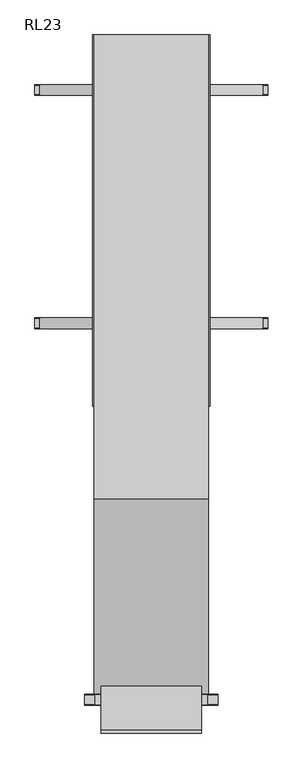
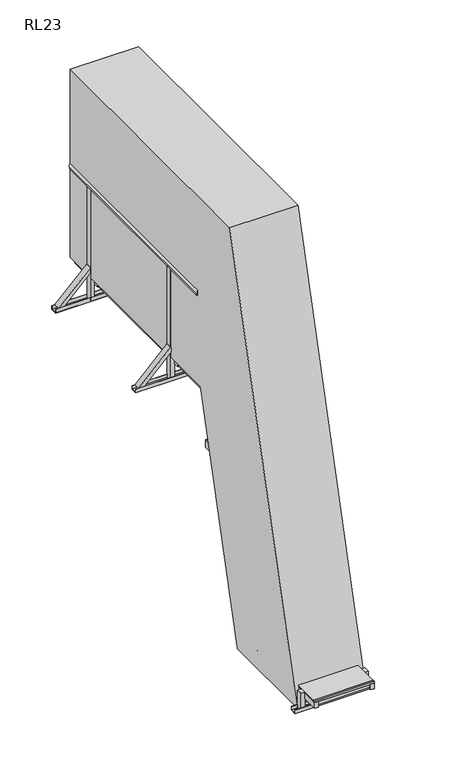
"""IFC4 building model written with IfcOpenShell, lengths in millimetres: proxy geometry, RL23."""

from ifc_helpers import new_model, si_unit, point, frame, frame_2d, origin, place, context, project, spatial, polyline, circle_curve, trimmed, segment, composite_curve, outline, extrude, faceted_brep, source, transform, mapped, element, save
from ifc_brep_helpers import plane_surface, cylinder_surface, advanced_brep


def rl23_d2b6ae69(model_context):
    return source(origin(), model_context, "Body", "SolidModel", [
        extrude(outline(composite_curve([segment(polyline([(-217.1779271, 2096.269982), (-212.7780033, 2112.6907211)]), True, "CONTINUOUS"), segment(trimmed(circle_curve(frame_2d((-194.4018539, 2094.33812)), 25.9711538), [point((-212.7780033, 2112.6907211))], [point((-169.3113411, 2101.043864))], False, "CARTESIAN"), True, "CONTINUOUS"), segment(polyline([(-169.3113411, 2101.043864), (-173.7112649, 2084.623125), (-217.1779271, 2096.269982)]), True, "CONTINUOUS")], self_intersect=False)), frame((-262.0, 0.0, 0.0), z_axis=(1.0, 0.0, 0.0), x_axis=(0.0, 1.0, 0.0)), (0.0, 0.0, 1.0), 524.0),
        extrude(outline(composite_curve([segment(polyline([(-292.3579518, 1815.6943103), (-287.958028, 1832.1150493)]), True, "CONTINUOUS"), segment(trimmed(circle_curve(frame_2d((-269.5818785, 1813.7624483)), 25.9711538), [point((-287.958028, 1832.1150493))], [point((-244.4913658, 1820.4681923))], False, "CARTESIAN"), True, "CONTINUOUS"), segment(polyline([(-244.4913658, 1820.4681923), (-248.8912896, 1804.0474533), (-292.3579518, 1815.6943103)]), True, "CONTINUOUS")], self_intersect=False)), frame((-262.0, 0.0, 0.0), z_axis=(1.0, 0.0, 0.0), x_axis=(0.0, 1.0, 0.0)), (0.0, 0.0, 1.0), 524.0),
        extrude(outline(composite_curve([segment(polyline([(-367.5379764, 1535.1186386), (-363.1380526, 1551.5393776)]), True, "CONTINUOUS"), segment(trimmed(circle_curve(frame_2d((-344.7619032, 1533.1867766)), 25.9711538), [point((-363.1380526, 1551.5393776))], [point((-319.6713905, 1539.8925206))], False, "CARTESIAN"), True, "CONTINUOUS"), segment(polyline([(-319.6713905, 1539.8925206), (-324.0713142, 1523.4717815), (-367.5379764, 1535.1186386)]), True, "CONTINUOUS")], self_intersect=False)), frame((-262.0, 0.0, 0.0), z_axis=(1.0, 0.0, 0.0), x_axis=(0.0, 1.0, 0.0)), (0.0, 0.0, 1.0), 524.0),
        extrude(outline(composite_curve([segment(polyline([(-442.7180011, 1254.5429669), (-438.3180773, 1270.9637059)]), True, "CONTINUOUS"), segment(trimmed(circle_curve(frame_2d((-419.9419278, 1252.6111049)), 25.9711538), [point((-438.3180773, 1270.9637059))], [point((-394.8514151, 1259.3168489))], False, "CARTESIAN"), True, "CONTINUOUS"), segment(polyline([(-394.8514151, 1259.3168489), (-399.2513389, 1242.8961098), (-442.7180011, 1254.5429669)]), True, "CONTINUOUS")], self_intersect=False)), frame((-262.0, 0.0, 0.0), z_axis=(1.0, 0.0, 0.0), x_axis=(0.0, 1.0, 0.0)), (0.0, 0.0, 1.0), 524.0),
        extrude(outline(composite_curve([segment(polyline([(-517.8980257, 973.9672951), (-513.4981019, 990.3880342)]), True, "CONTINUOUS"), segment(trimmed(circle_curve(frame_2d((-495.1219525, 972.0354332)), 25.9711538), [point((-513.4981019, 990.3880342))], [point((-470.0314398, 978.7411772))], False, "CARTESIAN"), True, "CONTINUOUS"), segment(polyline([(-470.0314398, 978.7411772), (-474.4313635, 962.3204381), (-517.8980257, 973.9672951)]), True, "CONTINUOUS")], self_intersect=False)), frame((-262.0, 0.0, 0.0), z_axis=(1.0, 0.0, 0.0), x_axis=(0.0, 1.0, 0.0)), (0.0, 0.0, 1.0), 524.0),
        extrude(outline(composite_curve([segment(polyline([(-593.0780504, 693.3916234), (-588.6781266, 709.8123625)]), True, "CONTINUOUS"), segment(trimmed(circle_curve(frame_2d((-570.3019772, 691.4597614)), 25.9711538), [point((-588.6781266, 709.8123625))], [point((-545.2114644, 698.1655054))], False, "CARTESIAN"), True, "CONTINUOUS"), segment(polyline([(-545.2114644, 698.1655054), (-549.6113882, 681.7447664), (-593.0780504, 693.3916234)]), True, "CONTINUOUS")], self_intersect=False)), frame((-262.0, 0.0, 0.0), z_axis=(1.0, 0.0, 0.0), x_axis=(0.0, 1.0, 0.0)), (0.0, 0.0, 1.0), 524.0),
        extrude(outline(composite_curve([segment(polyline([(-668.258075, 412.8159517), (-663.8581512, 429.2366907)]), True, "CONTINUOUS"), segment(trimmed(circle_curve(frame_2d((-645.4820018, 410.8840897)), 25.9711538), [point((-663.8581512, 429.2366907))], [point((-620.3914891, 417.5898337))], False, "CARTESIAN"), True, "CONTINUOUS"), segment(polyline([(-620.3914891, 417.5898337), (-624.7914128, 401.1690947), (-668.258075, 412.8159517)]), True, "CONTINUOUS")], self_intersect=False)), frame((-262.0, 0.0, 0.0), z_axis=(1.0, 0.0, 0.0), x_axis=(0.0, 1.0, 0.0)), (0.0, 0.0, 1.0), 524.0),
        extrude(outline(composite_curve([segment(polyline([(-141.9979024, 2376.8456537), (-137.5979787, 2393.2663928)]), True, "CONTINUOUS"), segment(trimmed(circle_curve(frame_2d((-119.2218292, 2374.9137918)), 25.9711538), [point((-137.5979787, 2393.2663928))], [point((-94.1313165, 2381.6195357))], False, "CARTESIAN"), True, "CONTINUOUS"), segment(polyline([(-94.1313165, 2381.6195357), (-98.5312403, 2365.1987967), (-141.9979024, 2376.8456537)]), True, "CONTINUOUS")], self_intersect=False)), frame((-262.0, 0.0, 0.0), z_axis=(1.0, 0.0, 0.0), x_axis=(0.0, 1.0, 0.0)), (0.0, 0.0, 1.0), 524.0),
        extrude(outline(composite_curve([segment(polyline([(-743.4380997, 132.24028), (-739.0381759, 148.661019)]), True, "CONTINUOUS"), segment(trimmed(circle_curve(frame_2d((-720.6620265, 130.308418)), 25.9711538), [point((-739.0381759, 148.661019))], [point((-695.5715137, 137.014162))], False, "CARTESIAN"), True, "CONTINUOUS"), segment(polyline([(-695.5715137, 137.014162), (-699.9714375, 120.5934229), (-743.4380997, 132.24028)]), True, "CONTINUOUS")], self_intersect=False)), frame((-262.0, 0.0, 0.0), z_axis=(1.0, 0.0, 0.0), x_axis=(0.0, 1.0, 0.0)), (0.0, 0.0, 1.0), 524.0),
        extrude(outline(polyline([(-38.0, 0.0), (0.0, 0.0), (0.0, -58.0000001), (-38.0, -58.0000001), (-38.0, 0.0)])), frame((262.0, -780.774903, 18.0115046), z_axis=(0.0, 0.25881904510250875, 0.9659258262890715), x_axis=(-1.0, 0.0, 0.0)), (0.0, 0.0, 1.0), 3523.7864779),
        extrude(outline(polyline([(-38.0, 0.0), (0.0, 0.0), (0.0, -58.0000001), (-38.0, -58.0000001), (-38.0, 0.0)])), frame((-300.0, -780.774903, 18.0115046), z_axis=(0.0, 0.25881904510250875, 0.9659258262890715), x_axis=(-1.0, 0.0, 0.0)), (0.0, 0.0, 1.0), 3523.7864779),
        faceted_brep([(-303.5, -975.5780618, 0.0), (-250.5, -975.5780618, 0.0), (-250.5, -975.5780618, 3.0), (-300.5, -975.5780618, 3.0), (-303.5, -975.5780618, 3.0), (-300.5, -615.5780618, 3.0), (-250.5, -615.5780618, 3.0), (-250.5, -615.5780618, 0.0), (-303.5, -615.5780618, 0.0), (-303.5, -615.5780618, 3.0), (-300.5, -928.5780618, 50.0), (-300.5, -662.5780618, 50.0), (-303.5, -662.5780618, 50.0), (-303.5, -928.5780618, 50.0)], [[[0, 1, 2, 3, 4]], [[5, 6, 7, 8, 9]], [[10, 11, 12, 13]], [[8, 0, 4, 13, 12, 9]], [[1, 0, 8, 7]], [[2, 1, 7, 6]], [[3, 2, 6, 5]], [[3, 5, 11, 10]], [[5, 9, 12, 11]], [[4, 3, 10, 13]]]),
        faceted_brep([(300.5, -975.5780618, 3.0), (250.5, -975.5780618, 3.0), (250.5, -975.5780618, 0.0), (303.5, -975.5780618, 0.0), (303.5, -975.5780618, 3.0), (303.5, -615.5780618, 0.0), (250.5, -615.5780618, 0.0), (250.5, -615.5780618, 3.0), (300.5, -615.5780618, 3.0), (303.5, -615.5780618, 3.0), (303.5, -662.5780618, 50.0), (303.5, -928.5780618, 50.0), (300.5, -662.5780618, 50.0), (300.5, -928.5780618, 50.0)], [[[0, 1, 2, 3, 4]], [[5, 6, 7, 8, 9]], [[1, 0, 8, 7]], [[2, 1, 7, 6]], [[3, 2, 6, 5]], [[3, 5, 9, 10, 11, 4]], [[11, 10, 12, 13]], [[8, 0, 13, 12]], [[9, 8, 12, 10]], [[0, 4, 11, 13]]]),
        extrude(outline(polyline([(-250.0, -702.5715258), (-250.0, -684.5715258), (250.0, -684.5715258), (250.0, -702.5715258), (-250.0, -702.5715258)])), frame((0.0, 0.0, 181.5), z_axis=(0.0, 0.0, 1.0), x_axis=(1.0, 0.0, 0.0)), (0.0, 0.0, 1.0), 18.5),
        extrude(outline(polyline([(-300.5, -888.8215258), (-300.5, -870.3215258), (300.5, -870.3215258), (300.5, -888.8215258), (-300.5, -888.8215258)])), frame((0.0, 0.0, 181.5), z_axis=(0.0, 0.0, 1.0), x_axis=(1.0, 0.0, 0.0)), (0.0, 0.0, 1.0), 18.5),
        extrude(outline(polyline([(-250.0, -870.3215258), (-250.0, -702.5715258), (250.0, -702.5715258), (250.0, -870.3215258), (-250.0, -870.3215258)])), frame((0.0, 0.0, 181.5), z_axis=(0.0, 0.0, 1.0), x_axis=(1.0, 0.0, 0.0)), (0.0, 0.0, 1.0), 18.5),
        extrude(outline(polyline([(262.5, -757.7216554), (300.5, -757.7216554), (300.5, -1789.5715258), (262.5, -1789.5715258), (262.5, -757.7216554)])), frame((0.0, 0.0, 123.5), z_axis=(0.0, 0.0, 1.0), x_axis=(1.0, 0.0, 0.0)), (0.0, 0.0, 1.0), 58.0),
        extrude(outline(polyline([(-300.5, -757.7216554), (-262.5, -757.7216554), (-262.5, -1789.5715258), (-300.5, -1789.5715258), (-300.5, -757.7216554)])), frame((0.0, 0.0, 123.5), z_axis=(0.0, 0.0, 1.0), x_axis=(1.0, 0.0, 0.0)), (0.0, 0.0, 1.0), 58.0),
        extrude(outline(polyline([(-338.5, -1618.5715258), (-338.5, -1560.5715258), (-300.5, -1560.5715258), (-300.5, -1618.5715258), (-338.5, -1618.5715258)])), frame((0.0, 0.0, 3.0), z_axis=(0.0, 0.0, 1.0), x_axis=(1.0, 0.0, 0.0)), (0.0, 0.0, 1.0), 190.0),
        extrude(outline(polyline([(300.5, -1618.5715258), (300.5, -1560.5715258), (338.5, -1560.5715258), (338.5, -1618.5715258), (300.5, -1618.5715258)])), frame((0.0, 0.0, 3.0), z_axis=(0.0, 0.0, 1.0), x_axis=(1.0, 0.0, 0.0)), (0.0, 0.0, 1.0), 190.0),
        extrude(outline(polyline([(-300.5, -1789.5715258), (-300.5, -1771.0715258), (300.5, -1771.0715258), (300.5, -1789.5715258), (-300.5, -1789.5715258)])), frame((0.0, 0.0, 181.5), z_axis=(0.0, 0.0, 1.0), x_axis=(1.0, 0.0, 0.0)), (0.0, 0.0, 1.0), 18.5),
        extrude(outline(polyline([(-1619.0715258, 38.0), (-1619.0715258, 3.0), (-1560.0715258, 3.0), (-1560.0715258, 38.0), (-1557.0715258, 38.0), (-1557.0715258, 0.0), (-1622.0715258, 0.0), (-1622.0715258, 38.0), (-1619.0715258, 38.0)])), frame((-400.5, 0.0, 0.0), z_axis=(1.0, 0.0, 0.0), x_axis=(0.0, 1.0, 0.0)), (0.0, 0.0, 1.0), 801.0),
        extrude(outline(polyline([(-300.5, -1770.5715258), (-300.5, -888.8215258), (300.5, -888.8215258), (300.5, -1770.5715258), (-300.5, -1770.5715258)])), frame((0.0, 0.0, 181.5), z_axis=(0.0, 0.0, 1.0), x_axis=(1.0, 0.0, 0.0)), (0.0, 0.0, 1.0), 18.5),
        extrude(outline(composite_curve([segment(polyline([(-792.7752452, 133.5), (-792.7752452, 171.5)]), True, "CONTINUOUS"), segment(trimmed(circle_curve(frame_2d((-786.7752452, 171.5)), 6.0), [point((-792.7752452, 171.5))], [point((-786.7752452, 177.5))], False, "CARTESIAN"), True, "CONTINUOUS"), segment(polyline([(-786.7752452, 177.5), (-737.7216554, 177.5)]), True, "CONTINUOUS"), segment(trimmed(circle_curve(frame_2d((-737.7216554, 152.5)), 25.0), [point((-737.7216554, 177.5))], [point((-737.7216554, 127.5))], False, "CARTESIAN"), True, "CONTINUOUS"), segment(polyline([(-737.7216554, 127.5), (-786.7752452, 127.5)]), True, "CONTINUOUS"), segment(trimmed(circle_curve(frame_2d((-786.7752452, 133.5)), 6.0), [point((-786.7752452, 127.5))], [point((-792.7752452, 133.5))], False, "CARTESIAN"), True, "CONTINUOUS")], self_intersect=False)), frame((300.5, 0.0, 0.0), z_axis=(1.0, 0.0, 0.0), x_axis=(0.0, 1.0, 0.0)), (0.0, 0.0, 1.0), 6.0),
        extrude(outline(composite_curve([segment(polyline([(-792.7752452, 133.5), (-792.7752452, 171.5)]), True, "CONTINUOUS"), segment(trimmed(circle_curve(frame_2d((-786.7752452, 171.5)), 6.0), [point((-792.7752452, 171.5))], [point((-786.7752452, 177.5))], False, "CARTESIAN"), True, "CONTINUOUS"), segment(polyline([(-786.7752452, 177.5), (-737.7216554, 177.5)]), True, "CONTINUOUS"), segment(trimmed(circle_curve(frame_2d((-737.7216554, 152.5)), 25.0), [point((-737.7216554, 177.5))], [point((-737.7216554, 127.5))], False, "CARTESIAN"), True, "CONTINUOUS"), segment(polyline([(-737.7216554, 127.5), (-786.7752452, 127.5)]), True, "CONTINUOUS"), segment(trimmed(circle_curve(frame_2d((-786.7752452, 133.5)), 6.0), [point((-786.7752452, 127.5))], [point((-792.7752452, 133.5))], False, "CARTESIAN"), True, "CONTINUOUS")], self_intersect=False)), frame((-306.5, 0.0, 0.0), z_axis=(1.0, 0.0, 0.0), x_axis=(0.0, 1.0, 0.0)), (0.0, 0.0, 1.0), 6.0),
        extrude(outline(polyline([(-262.5, -932.5715258), (-262.5, -874.5715258), (262.5, -874.5715258), (262.5, -932.5715258), (-262.5, -932.5715258)])), frame((0.0, 0.0, 143.5), z_axis=(0.0, 0.0, 1.0), x_axis=(1.0, 0.0, 0.0)), (0.0, 0.0, 1.0), 38.0),
        extrude(outline(polyline([(-262.5, -1356.5715258), (-262.5, -1298.5715258), (262.5, -1298.5715258), (262.5, -1356.5715258), (-262.5, -1356.5715258)])), frame((0.0, 0.0, 143.5), z_axis=(0.0, 0.0, 1.0), x_axis=(1.0, 0.0, 0.0)), (0.0, 0.0, 1.0), 38.0),
        extrude(outline(polyline([(-262.5, -1779.5715258), (-262.5, -1721.5715258), (262.5, -1721.5715258), (262.5, -1779.5715258), (-262.5, -1779.5715258)])), frame((0.0, 0.0, 143.5), z_axis=(0.0, 0.0, 1.0), x_axis=(1.0, 0.0, 0.0)), (0.0, 0.0, 1.0), 38.0),
        advanced_brep(
        [(309.5, 2400.0, 2886.25), (309.5, 2400.0, 2859.75), (309.5, 41.3809842, 2886.25), (309.5, 41.3809842, 2859.75), (294.5187617, 41.3809842, 2893.0)],
        [
            (0, 1),
            (1, 0, circle_curve(frame((294.5187617, 2400.0, 2873.0), z_axis=(0.0, 1.0, 0.0), x_axis=(-1.0, 0.0, 0.0)), 20.0)),
            (0, 2),
            (2, 3),
            (3, 1),
            (3, 4, circle_curve(frame((294.5187617, 41.3809842, 2873.0), z_axis=(0.0, 1.0, 0.0), x_axis=(-1.0, 0.0, 0.0)), 20.0)),
            (4, 2, circle_curve(frame((294.5187617, 41.3809842, 2873.0), z_axis=(0.0, 1.0, 0.0), x_axis=(-1.0, 0.0, 0.0)), 20.0)),
        ],
        [
            plane_surface(frame((274.5187617, 2400.0, 2873.0), z_axis=(0.0, 1.0, 0.0), x_axis=(0.0, 0.0, 1.0))),
            plane_surface(frame((309.5, 0.0, 2859.75), z_axis=(1.0, 0.0, 0.0), x_axis=(0.0, 1.0, 0.0))),
            cylinder_surface(frame((294.5187617, 2400.0, 2873.0), z_axis=(0.0, -1.0, 0.0), x_axis=(-1.0, 0.0, 0.0)), 20.0),
            plane_surface(frame((372.2487373, 41.3809842, 2400.0), z_axis=(0.0, -1.0, 0.0), x_axis=(-1.0, 0.0, 0.0))),
        ],
        [
            (0, [[1, 2]]),
            (1, [[-1, 3, 4, 5]]),
            (2, [[-2, -5, 6, 7, -3]]),
            (3, [[-4, -7, -6]]),
        ],
    ),
        advanced_brep(
        [(-309.5, 2400.0, 2886.25), (-309.5, 2400.0, 2859.75), (-309.5, 41.3809842, 2859.75), (-309.5, 41.3809842, 2886.25), (-294.5187617, 41.3809842, 2893.0)],
        [
            (0, 1, circle_curve(frame((-294.5187617, 2400.0, 2873.0), z_axis=(0.0, 1.0, 0.0), x_axis=(1.0, 0.0, 0.0)), 20.0)),
            (1, 0),
            (1, 2),
            (2, 3),
            (3, 0),
            (3, 4, circle_curve(frame((-294.5187617, 41.3809842, 2873.0), z_axis=(0.0, 1.0, 0.0), x_axis=(1.0, 0.0, 0.0)), 20.0)),
            (4, 2, circle_curve(frame((-294.5187617, 41.3809842, 2873.0), z_axis=(0.0, 1.0, 0.0), x_axis=(1.0, 0.0, 0.0)), 20.0)),
        ],
        [
            plane_surface(frame((-309.5, 2400.0, 2859.75), z_axis=(0.0, 1.0, 0.0), x_axis=(0.0, 0.0, 1.0))),
            plane_surface(frame((-309.5, 0.0, 2886.25), z_axis=(-1.0, 0.0, 0.0), x_axis=(0.0, 1.0, 0.0))),
            cylinder_surface(frame((-294.5187617, 2400.0, 2873.0), z_axis=(0.0, -1.0, 0.0), x_axis=(1.0, 0.0, 0.0)), 20.0),
            plane_surface(frame((372.2487373, 41.3809842, 2400.0), z_axis=(0.0, -1.0, 0.0), x_axis=(-1.0, 0.0, 0.0))),
        ],
        [
            (0, [[1, 2]]),
            (1, [[-2, 3, 4, 5]]),
            (2, [[-1, -5, 6, 7, -3]]),
            (3, [[-4, -7, -6]]),
        ],
    ),
        advanced_brep(
        [(349.5, 2400.0, 3361.43534), (349.5, 2400.0, 3343.0), (307.5, 2400.0, 3343.0), (307.5, 2400.0, 3361.43534), (349.5, 172.6760885, 3361.43534), (349.5, 172.6760885, 3343.0), (307.5, 172.6760885, 3343.0), (307.5, 172.6760885, 3361.43534), (328.5, 172.6760885, 3400.0)],
        [
            (0, 1),
            (1, 2),
            (2, 3),
            (3, 0, circle_curve(frame((328.5, 2400.0, 3375.0), z_axis=(0.0, 1.0, 0.0), x_axis=(-1.0, 0.0, 0.0)), 25.0)),
            (0, 4),
            (4, 5),
            (5, 1),
            (5, 6),
            (6, 2),
            (6, 7),
            (7, 3),
            (7, 8, circle_curve(frame((328.5, 172.6760885, 3375.0), z_axis=(0.0, 1.0, 0.0), x_axis=(-1.0, 0.0, 0.0)), 25.0)),
            (8, 4, circle_curve(frame((328.5, 172.6760885, 3375.0), z_axis=(0.0, 1.0, 0.0), x_axis=(-1.0, 0.0, 0.0)), 25.0)),
        ],
        [
            plane_surface(frame((303.5, 2400.0, 3375.0), z_axis=(0.0, 1.0, 0.0), x_axis=(0.0, 0.0, 1.0))),
            plane_surface(frame((349.5, 0.0, 3343.0), z_axis=(1.0, 0.0, 0.0), x_axis=(0.0, 1.0, 0.0))),
            plane_surface(frame((307.5, 0.0, 3343.0), z_axis=(0.0, 0.0, -1.0), x_axis=(0.0, 1.0, 0.0))),
            plane_surface(frame((307.5, 0.0, 3361.43534), z_axis=(-1.0, 0.0, 0.0), x_axis=(0.0, 1.0, 0.0))),
            cylinder_surface(frame((328.5, 2400.0, 3375.0), z_axis=(0.0, -1.0, 0.0), x_axis=(-1.0, 0.0, 0.0)), 25.0),
            plane_surface(frame((372.2487373, 172.6760885, 3343.0), z_axis=(0.0, -1.0, 0.0), x_axis=(-1.0, 0.0, 0.0))),
        ],
        [
            (0, [[1, 2, 3, 4]]),
            (1, [[-1, 5, 6, 7]]),
            (2, [[-2, -7, 8, 9]]),
            (3, [[-3, -9, 10, 11]]),
            (4, [[-4, -11, 12, 13, -5]]),
            (5, [[-6, -13, -12, -10, -8]]),
        ],
    ),
        advanced_brep(
        [(-349.5, 2400.0, 3361.43534), (-307.5, 2400.0, 3361.43534), (-307.5, 2400.0, 3343.0), (-349.5, 2400.0, 3343.0), (-349.5, 172.6760885, 3343.0), (-349.5, 172.6760885, 3361.43534), (-307.5, 172.6760885, 3343.0), (-307.5, 172.6760885, 3361.43534), (-328.5, 172.6760885, 3400.0)],
        [
            (0, 1, circle_curve(frame((-328.5, 2400.0, 3375.0), z_axis=(0.0, 1.0, 0.0), x_axis=(1.0, 0.0, 0.0)), 25.0)),
            (1, 2),
            (2, 3),
            (3, 0),
            (3, 4),
            (4, 5),
            (5, 0),
            (2, 6),
            (6, 4),
            (1, 7),
            (7, 6),
            (5, 8, circle_curve(frame((-328.5, 172.6760885, 3375.0), z_axis=(0.0, 1.0, 0.0), x_axis=(1.0, 0.0, 0.0)), 25.0)),
            (8, 7, circle_curve(frame((-328.5, 172.6760885, 3375.0), z_axis=(0.0, 1.0, 0.0), x_axis=(1.0, 0.0, 0.0)), 25.0)),
        ],
        [
            plane_surface(frame((-349.5, 2400.0, 3343.0), z_axis=(0.0, 1.0, 0.0), x_axis=(0.0, 0.0, 1.0))),
            plane_surface(frame((-349.5, 0.0, 3361.43534), z_axis=(-1.0, 0.0, 0.0), x_axis=(0.0, 1.0, 0.0))),
            plane_surface(frame((-349.5, 0.0, 3343.0), z_axis=(0.0, 0.0, -1.0), x_axis=(0.0, 1.0, 0.0))),
            plane_surface(frame((-307.5, 0.0, 3343.0), z_axis=(1.0, 0.0, 0.0), x_axis=(0.0, 1.0, 0.0))),
            cylinder_surface(frame((-328.5, 2400.0, 3375.0), z_axis=(0.0, -1.0, 0.0), x_axis=(1.0, 0.0, 0.0)), 25.0),
            plane_surface(frame((372.2487373, 172.6760885, 3343.0), z_axis=(0.0, -1.0, 0.0), x_axis=(-1.0, 0.0, 0.0))),
        ],
        [
            (0, [[1, 2, 3, 4]]),
            (1, [[-4, 5, 6, 7]]),
            (2, [[-3, 8, 9, -5]]),
            (3, [[-2, 10, 11, -8]]),
            (4, [[-1, -7, 12, 13, -10]]),
            (5, [[-6, -9, -11, -13, -12]]),
        ],
    ),
        extrude(outline(polyline([(300.0, 2400.0), (300.0, -80.0), (-300.0, -80.0), (-300.0, 2400.0), (300.0, 2400.0)]), holes=[polyline([(262.0, 2362.0), (-262.0, 2362.0), (-262.0, -42.0), (262.0, -42.0), (262.0, 2362.0)])]), frame((0.0, 0.0, 2324.2375855), z_axis=(0.0, 0.0, 1.0), x_axis=(1.0, 0.0, 0.0)), (0.0, 0.0, 1.0), 57.2624145),
        extrude(outline(polyline([(699.5, 2188.0), (702.5, 2188.0), (702.5, 2150.0), (637.5, 2150.0), (637.5, 2188.0), (640.5, 2188.0), (640.5, 2153.0), (699.5, 2153.0), (699.5, 2188.0)])), frame((-700.0, 0.0, 0.0), z_axis=(1.0, 0.0, 0.0), x_axis=(0.0, 1.0, 0.0)), (0.0, 0.0, 1.0), 1400.0),
        extrude(outline(polyline([(2102.5, 2188.0), (2102.5, 2150.0), (2037.5, 2150.0), (2037.5, 2188.0), (2040.5, 2188.0), (2040.5, 2153.0), (2099.5, 2153.0), (2099.5, 2188.0), (2102.5, 2188.0)])), frame((-700.0, 0.0, 0.0), z_axis=(1.0, 0.0, 0.0), x_axis=(0.0, 1.0, 0.0)), (0.0, 0.0, 1.0), 1400.0),
        extrude(outline(polyline([(-29.0, -38.0), (-32.0, -38.0), (-32.0, 0.0), (32.0, 0.0), (32.0, -38.0), (29.0, -38.0), (29.0, -2.9999999), (-29.0, -2.9999999), (-29.0, -38.0)])), frame((670.0, 670.0, 2188.0), z_axis=(-0.7071067811865459, 0.0, 0.7071067811865492), x_axis=(0.0, -1.0, 0.0)), (0.0, 0.0, 1.0), 456.0838739),
        extrude(outline(polyline([(-29.0, 38.0), (-29.0, 2.9999999), (29.0, 2.9999999), (29.0, 38.0), (32.0, 38.0), (32.0, 0.0), (-32.0, 0.0), (-32.0, 38.0), (-29.0, 38.0)])), frame((-670.0, 670.0, 2188.0), z_axis=(0.7071067811865526, 0.0, 0.7071067811865425), x_axis=(0.0, -1.0, 0.0)), (0.0, 0.0, 1.0), 456.0838739),
        extrude(outline(polyline([(-29.0, -38.0), (-32.0, -38.0), (-32.0, 0.0), (32.0, 0.0), (32.0, -38.0), (29.0, -38.0), (29.0, -2.9999999), (-29.0, -2.9999999), (-29.0, -38.0)])), frame((670.0, 2070.0, 2188.0), z_axis=(-0.7071067811865461, 0.0, 0.7071067811865491), x_axis=(0.0, -1.0, 0.0)), (0.0, 0.0, 1.0), 456.0838739),
        extrude(outline(polyline([(-29.0, 38.0), (-29.0, 2.9999999), (29.0, 2.9999999), (29.0, 38.0), (32.0, 38.0), (32.0, 0.0), (-32.0, 0.0), (-32.0, 38.0), (-29.0, 38.0)])), frame((-670.0, 2070.0, 2188.0), z_axis=(0.7071067811865526, 0.0, 0.7071067811865425), x_axis=(0.0, -1.0, 0.0)), (0.0, 0.0, 1.0), 456.0838739),
        extrude(outline(polyline([(347.5, 699.0), (347.5, 641.0), (309.5, 641.0), (309.5, 699.0), (347.5, 699.0)])), frame((0.0, 0.0, 2153.0), z_axis=(0.0, 0.0, 1.0), x_axis=(1.0, 0.0, 0.0)), (0.0, 0.0, 1.0), 1190.0),
        extrude(outline(polyline([(347.5, 2099.0), (347.5, 2041.0), (309.5, 2041.0), (309.5, 2099.0), (347.5, 2099.0)])), frame((0.0, 0.0, 2153.0), z_axis=(0.0, 0.0, 1.0), x_axis=(1.0, 0.0, 0.0)), (0.0, 0.0, 1.0), 1190.0),
        extrude(outline(polyline([(-309.5, 2099.0), (-309.5, 2041.0), (-347.5, 2041.0), (-347.5, 2099.0), (-309.5, 2099.0)])), frame((0.0, 0.0, 2153.0), z_axis=(0.0, 0.0, 1.0), x_axis=(1.0, 0.0, 0.0)), (0.0, 0.0, 1.0), 1190.0),
        extrude(outline(polyline([(-309.5, 699.0), (-309.5, 641.0), (-347.5, 641.0), (-347.5, 699.0), (-309.5, 699.0)])), frame((0.0, 0.0, 2153.0), z_axis=(0.0, 0.0, 1.0), x_axis=(1.0, 0.0, 0.0)), (0.0, 0.0, 1.0), 1190.0),
        extrude(outline(polyline([(300.0, 2400.0), (300.0, -80.0), (-300.0, -80.0), (-300.0, 2400.0), (300.0, 2400.0)])), frame((0.0, 0.0, 2381.5), z_axis=(0.0, 0.0, 1.0), x_axis=(1.0, 0.0, 0.0)), (0.0, 0.0, 1.0), 18.5),
        extrude(outline(polyline([(0.0, -75.0156698), (0.0, 0.0), (6.0, 0.0), (6.0, -75.0156698), (0.0, -75.0156698)])), frame((300.0, -18.0012303, 2324.2375855), z_axis=(0.0, -0.2282093973208809, 0.9736120741724809), x_axis=(1.0, 0.0, 0.0)), (0.0, 0.0, 1.0), 56.5477611),
        extrude(outline(polyline([(0.0, -75.0156698), (0.0, 0.0), (6.0, 0.0), (6.0, -75.0156698), (0.0, -75.0156698)])), frame((-300.0, -91.0373922, 2307.1183047), z_axis=(0.0, -0.22820939732088133, 0.9736120741724807), x_axis=(-1.0, 0.0, 0.0)), (0.0, 0.0, 1.0), 56.5477611),
        extrude(outline(polyline([(300.0, 1990.0), (300.0, 2150.0), (309.5, 2150.0), (309.5, 1990.0), (300.0, 1990.0)])), frame((0.0, 0.0, 2320.0), z_axis=(0.0, 0.0, 1.0), x_axis=(1.0, 0.0, 0.0)), (0.0, 0.0, 1.0), 80.0),
        extrude(outline(polyline([(300.0, 590.0), (300.0, 750.0), (309.5, 750.0), (309.5, 590.0), (300.0, 590.0)])), frame((0.0, 0.0, 2320.0), z_axis=(0.0, 0.0, 1.0), x_axis=(1.0, 0.0, 0.0)), (0.0, 0.0, 1.0), 80.0),
        extrude(outline(polyline([(-300.0, 2150.0), (-300.0, 1990.0), (-309.5, 1990.0), (-309.5, 2150.0), (-300.0, 2150.0)])), frame((0.0, 0.0, 2320.0), z_axis=(0.0, 0.0, 1.0), x_axis=(1.0, 0.0, 0.0)), (0.0, 0.0, 1.0), 80.0),
        extrude(outline(polyline([(-300.0, 750.0), (-300.0, 590.0), (-309.5, 590.0), (-309.5, 750.0), (-300.0, 750.0)])), frame((0.0, 0.0, 2320.0), z_axis=(0.0, 0.0, 1.0), x_axis=(1.0, 0.0, 0.0)), (0.0, 0.0, 1.0), 80.0),
        extrude(outline(polyline([(262.0, 1831.0), (262.0, 1793.0), (-262.0, 1793.0), (-262.0, 1831.0), (262.0, 1831.0)])), frame((0.0, 0.0, 2323.5), z_axis=(0.0, 0.0, 1.0), x_axis=(1.0, 0.0, 0.0)), (0.0, 0.0, 1.0), 58.0),
        extrude(outline(polyline([(262.0, 1240.5), (262.0, 1202.5), (-262.0, 1202.5), (-262.0, 1240.5), (262.0, 1240.5)])), frame((0.0, 0.0, 2323.5), z_axis=(0.0, 0.0, 1.0), x_axis=(1.0, 0.0, 0.0)), (0.0, 0.0, 1.0), 58.0),
        extrude(outline(polyline([(262.0, 650.0), (262.0, 612.0), (-262.0, 612.0), (-262.0, 650.0), (262.0, 650.0)])), frame((0.0, 0.0, 2323.5), z_axis=(0.0, 0.0, 1.0), x_axis=(1.0, 0.0, 0.0)), (0.0, 0.0, 1.0), 58.0),
        extrude(outline(polyline([(-518.0228258, 0.0), (-1561.5812156, 0.0), (-382.6047689, 4400.0), (2400.0, 4400.0), (2400.0, 2400.0), (125.0552361, 2400.0), (-518.0228258, 0.0)])), frame((-343.5, 0.0, 0.0), z_axis=(1.0, 0.0, 0.0), x_axis=(0.0, 1.0, 0.0)), (0.0, 0.0, 1.0), 687.0),
        extrude(outline(polyline([(306.5, 100.0), (306.5, -272.7695155), (300.5, -272.7695155), (300.5, 95.0), (-300.5, 95.0), (-300.5, -272.7695155), (-306.5, -272.7695155), (-306.5, 100.0), (306.5, 100.0)])), frame((0.0, 0.0, 1760.0), z_axis=(0.0, 0.0, 1.0), x_axis=(1.0, 0.0, 0.0)), (0.0, 0.0, 1.0), 80.0),
    ])


if __name__ == "__main__":
    model = new_model("IFC4")
    model_context = context("Model", 3, world=origin())
    ifc_project = project(units=[si_unit("LENGTHUNIT", "METRE", prefix="MILLI")], contexts=[model_context])
    site = spatial("IfcSite", under=ifc_project)
    building = spatial("IfcBuilding", under=site)
    placement = place(None, origin())
    rl23_shape = rl23_d2b6ae69(model_context)
    element("IfcBuildingElementProxy", 1, Name="RL23", ObjectType="RL23", at=placement, inside=building, context=model_context, shape_type="MappedRepresentation", body=[
        mapped(rl23_shape, transform((0.0, 0.0, 0.0), x_axis=(1.0, 0.0, 0.0), y_axis=(0.0, 1.0, 0.0), z_axis=(0.0, 0.0, 1.0))),
    ])
    save(model, "model.ifc")
